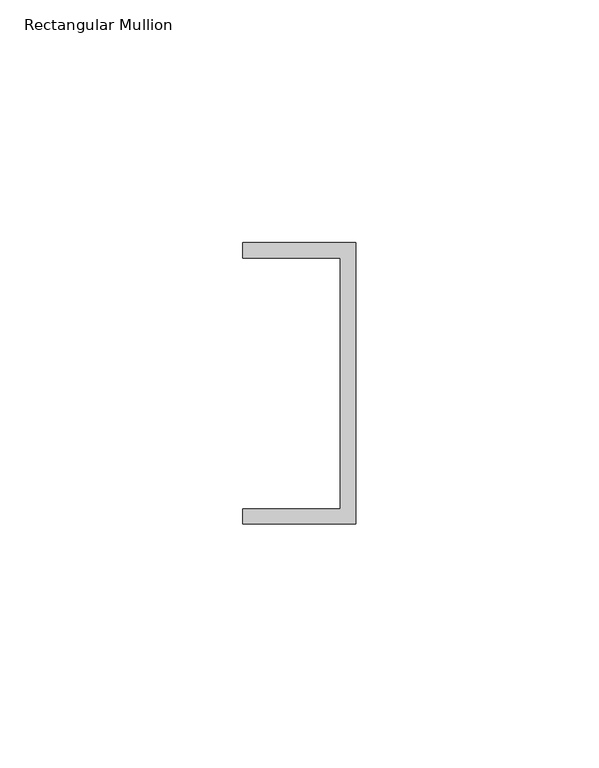
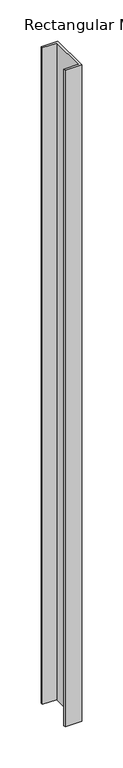
"""IFC4 building model written with IfcOpenShell, lengths in millimetres: member geometry, Rectangular Mullion."""

import ifcopenshell
import ifcopenshell.guid

model = None  # the IFC model being written
_history = None  # IfcOwnerHistory: only IFC2X3 demands one
_inside = {}  # id of a spatial element -> (the spatial element, [elements in it])
_under = {}  # id of a project, library or spatial element -> (it, [spatial elements below it])
_declared = {}  # id of a project -> (the project, [libraries it declares])
_typed = {}  # id of a type object -> (the type object, [elements of that type])
_made_of = {}  # id of a material, layer set ... -> (it, [elements and type objects made of it])


def new_model(schema):
    """Start an empty IFC model of exactly this schema.

    Asked for "IFC4X3", IfcOpenShell would pick the latest addendum, in which some entities
    have other attributes; the version numbers below select the first issue.
    IFC2X3 requires an IfcOwnerHistory on every rooted entity: one is made here for all.
    """
    global model, _history
    if schema == "IFC4X3":
        model = ifcopenshell.file(schema_version=(4, 3, 0, 0))
    else:
        model = ifcopenshell.file(schema=schema)
    _inside.clear()
    _under.clear()
    _declared.clear()
    _typed.clear()
    _made_of.clear()
    _history = None
    if model.schema == "IFC2X3":
        org = make("IfcOrganization", Name="unknown")
        user = make(
            "IfcPersonAndOrganization",
            ThePerson=make("IfcPerson", FamilyName="unknown"),
            TheOrganization=org,
        )
        app = make(
            "IfcApplication",
            ApplicationDeveloper=org,
            Version="unknown",
            ApplicationFullName="unknown",
            ApplicationIdentifier="unknown",
        )
        _history = make(
            "IfcOwnerHistory",
            OwningUser=user,
            OwningApplication=app,
            ChangeAction="ADDED",
            CreationDate=0,
        )
    return model


def make(cls, **values):
    """One entity of the class cls with the attributes given. An attribute that is None is left unset."""
    return model.create_entity(
        cls, **{name: value for name, value in values.items() if value is not None}
    )


def rooted(cls, **values):
    """An entity with a GlobalId (a new one), such as an element, a storey or a relation."""
    return make(cls, GlobalId=ifcopenshell.guid.new(), OwnerHistory=_history, **values)


def si_unit(unit_type, name, prefix=None):
    """IfcSIUnit, for example si_unit("LENGTHUNIT", "METRE", prefix="MILLI")."""
    return make("IfcSIUnit", UnitType=unit_type, Prefix=prefix, Name=name)


def assignment(units):
    """IfcUnitAssignment: the units of a project."""
    return None if units is None else make("IfcUnitAssignment", Units=units)


def point(xyz):
    """IfcCartesianPoint."""
    return None if xyz is None else make("IfcCartesianPoint", Coordinates=xyz)


def direction(xyz):
    """IfcDirection."""
    return None if xyz is None else make("IfcDirection", DirectionRatios=xyz)


def frame(location, z_axis=None, x_axis=None):
    """IfcAxis2Placement3D, a coordinate frame: its origin and axes. An axis left out is left unset."""
    return make(
        "IfcAxis2Placement3D",
        Location=point(location),
        Axis=direction(z_axis),
        RefDirection=direction(x_axis),
    )


def origin():
    """The frame at (0, 0, 0) with its axes left unset."""
    return frame((0.0, 0.0, 0.0))


def place(relative_to, where):
    """IfcLocalPlacement: puts the frame where relative to a parent placement (None: the world)."""
    return make(
        "IfcLocalPlacement", PlacementRelTo=relative_to, RelativePlacement=where
    )


def context(
    kind, dimensions, precision=None, world=None, true_north=None, identifier=None
):
    """IfcGeometricRepresentationContext, for example the 3D "Model" context."""
    return make(
        "IfcGeometricRepresentationContext",
        ContextIdentifier=identifier,
        ContextType=kind,
        CoordinateSpaceDimension=dimensions,
        Precision=precision,
        WorldCoordinateSystem=world,
        TrueNorth=true_north,
    )


def project(units=None, contexts=None):
    """IfcProject with its units and contexts."""
    return rooted(
        "IfcProject",
        Name="project",
        RepresentationContexts=contexts,
        UnitsInContext=assignment(units),
    )


def spatial(cls, under=None, at=None, **own):
    """A site, building, storey or space (cls), placed at a placement, below another one or the project."""
    s = rooted(cls, ObjectPlacement=at, **own)
    if under is not None:
        _under.setdefault(under.id(), (under, []))[1].append(s)
    return s


def polyline(points):
    """IfcPolyline through the points."""
    return make("IfcPolyline", Points=[point(p) for p in points])


def outline(outer, holes=None, kind="AREA"):
    """IfcArbitraryClosedProfileDef: a profile drawn as a closed curve; with holes, ...WithVoids."""
    if holes is None:
        return make("IfcArbitraryClosedProfileDef", ProfileType=kind, OuterCurve=outer)
    return make(
        "IfcArbitraryProfileDefWithVoids",
        ProfileType=kind,
        OuterCurve=outer,
        InnerCurves=holes,
    )


def extrude(swept, where, along, depth):
    """IfcExtrudedAreaSolid: the profile swept, set in the frame where, extruded along a direction by depth."""
    return make(
        "IfcExtrudedAreaSolid",
        SweptArea=swept,
        Position=where,
        ExtrudedDirection=direction(along),
        Depth=depth,
    )


def shape(context_of_items, identifier, shape_type, items):
    """IfcShapeRepresentation: the items that make up one representation, for example the "Body"."""
    return make(
        "IfcShapeRepresentation",
        ContextOfItems=context_of_items,
        RepresentationIdentifier=identifier,
        RepresentationType=shape_type,
        Items=items,
    )


def source(mapping_origin, context_of_items, identifier, shape_type, items):
    """IfcRepresentationMap: a shape defined once, which mapped items show again and again."""
    return make(
        "IfcRepresentationMap",
        MappingOrigin=mapping_origin,
        MappedRepresentation=shape(context_of_items, identifier, shape_type, items),
    )


def transform(
    local_origin,
    x_axis=None,
    y_axis=None,
    z_axis=None,
    scale=None,
    scale2=None,
    scale3=None,
    uniform=True,
):
    """IfcCartesianTransformationOperator3D, or its non-uniform kind. x_axis, y_axis, z_axis: its Axis1, 2, 3."""
    if uniform:
        return make(
            "IfcCartesianTransformationOperator3D",
            Axis1=direction(x_axis),
            Axis2=direction(y_axis),
            LocalOrigin=point(local_origin),
            Scale=scale,
            Axis3=direction(z_axis),
        )
    return make(
        "IfcCartesianTransformationOperator3DnonUniform",
        Axis1=direction(x_axis),
        Axis2=direction(y_axis),
        LocalOrigin=point(local_origin),
        Scale=scale,
        Axis3=direction(z_axis),
        Scale2=scale2,
        Scale3=scale3,
    )


def mapped(mapping_source, mapping_target):
    """IfcMappedItem: shows the shape of a source again, moved by a transform."""
    return make(
        "IfcMappedItem", MappingSource=mapping_source, MappingTarget=mapping_target
    )


def made_of(thing, what):
    """Note that an element or type object is made of a material, layer set ...; save() writes the relation."""
    if what is not None:
        _made_of.setdefault(what.id(), (what, []))[1].append(thing)
    return thing


def element(
    cls,
    number,
    at=None,
    inside=None,
    cuts=None,
    type_object=None,
    material=None,
    context=None,
    identifier="Body",
    shape_type=None,
    held_by="IfcProductDefinitionShape",
    body=None,
    shapes=None,
    **own,
):
    """One element of the class cls, such as IfcWall. Its Tag is "e" and its number.

    at: its placement. inside: the storey or other place that contains it. cuts: it is an
    opening in that element (IfcRelVoidsElement). A single representation is given by context,
    identifier, shape_type and body (its items); several are given by shapes. held_by: the class
    of the entity that holds the representations. save() writes the other relations.
    """
    e = rooted(cls, Tag="e%d" % number, ObjectPlacement=at, **own)
    if body is not None:
        shapes = [shape(context, identifier, shape_type, body)]
    if shapes is not None:
        e.Representation = make(held_by, Representations=shapes)
    if inside is not None:
        _inside.setdefault(inside.id(), (inside, []))[1].append(e)
    if cuts is not None:
        rooted(
            "IfcRelVoidsElement", RelatingBuildingElement=cuts, RelatedOpeningElement=e
        )
    if type_object is not None:
        _typed.setdefault(type_object.id(), (type_object, []))[1].append(e)
    return made_of(e, material)


def aggregate(whole, parts):
    """IfcRelAggregates: a whole, such as a stair, and the parts it consists of."""
    return rooted("IfcRelAggregates", RelatingObject=whole, RelatedObjects=parts)


def save(model, path):
    """Write the relations noted so far, then the file.

    IfcRelAggregates (storeys below a building ...), IfcRelContainedInSpatialStructure (elements
    in a storey), IfcRelDefinesByType, IfcRelAssociatesMaterial and IfcRelDeclares: one each for
    every whole, place, type object, material and project.
    """
    for whole, parts in _under.values():
        aggregate(whole, parts)
    for where, things in _inside.values():
        rooted(
            "IfcRelContainedInSpatialStructure",
            RelatedElements=things,
            RelatingStructure=where,
        )
    for kind, things in _typed.values():
        rooted("IfcRelDefinesByType", RelatedObjects=things, RelatingType=kind)
    for what, things in _made_of.values():
        rooted("IfcRelAssociatesMaterial", RelatedObjects=things, RelatingMaterial=what)
    for by, libraries in _declared.values():
        rooted("IfcRelDeclares", RelatingContext=by, RelatedDefinitions=libraries)
    model.write(path)


def rectangular_mullion_1fbba104(model_context):
    return source(origin(), model_context, "Body", "SweptSolid", [
        extrude(outline(polyline([(0.0, 29.0214844), (0.0, -29.0214844), (-23.3164063, -29.0214844), (-23.3164063, -25.8464844), (-3.175, -25.8464844), (-3.175, 25.8464844), (-23.3164063, 25.8464844), (-23.3164063, 29.0214844), (0.0, 29.0214844)])), frame((0.0, 0.0, -974.0304687), z_axis=(0.0, 0.0, 1.0), x_axis=(1.0, 0.0, 0.0)), (0.0, 0.0, 1.0), 974.0304687),
    ])


if __name__ == "__main__":
    model = new_model("IFC4")
    model_context = context("Model", 3, world=origin())
    ifc_project = project(units=[si_unit("LENGTHUNIT", "METRE", prefix="MILLI")], contexts=[model_context])
    site = spatial("IfcSite", under=ifc_project)
    building = spatial("IfcBuilding", under=site)
    placement = place(None, origin())
    rectangular_mullion_shape = rectangular_mullion_1fbba104(model_context)
    element("IfcMember", 1, ObjectType="Rectangular Mullion", at=placement, inside=building, context=model_context, shape_type="MappedRepresentation", body=[
        mapped(rectangular_mullion_shape, transform((0.0, 0.0, 0.0), x_axis=(1.0, 0.0, 0.0), y_axis=(0.0, 1.0, 0.0), z_axis=(0.0, 0.0, 1.0))),
    ])
    save(model, "model.ifc")
